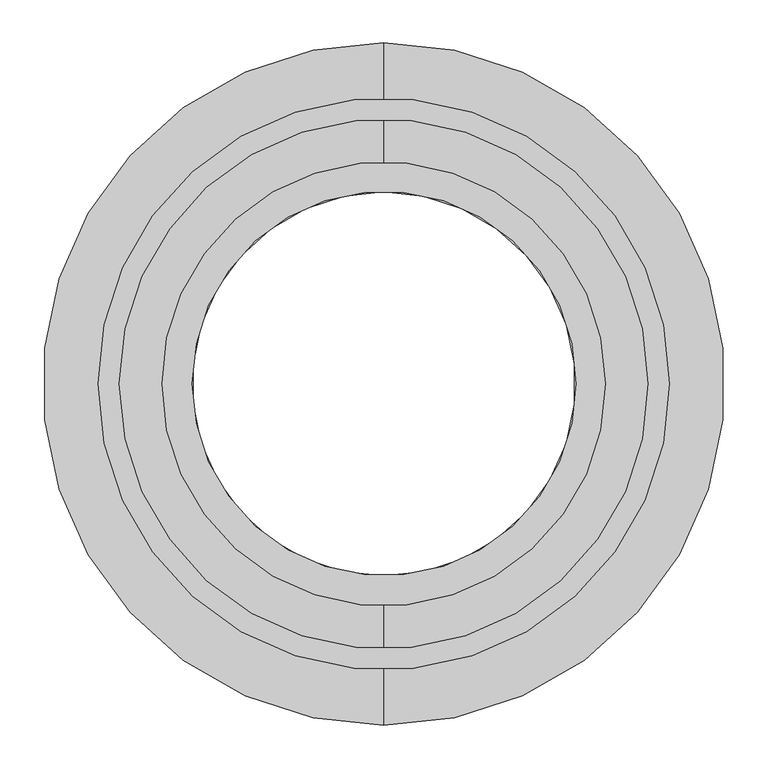
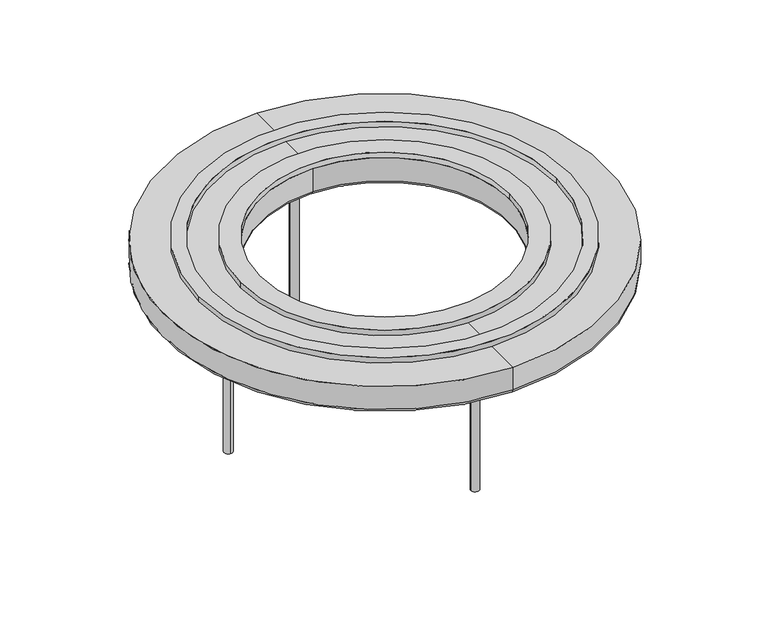
"""IFC4 building model written with IfcOpenShell, lengths in millimetres: furniture geometry."""

from ifc_helpers import new_model, si_unit, point, frame, frame_2d, origin, origin_with_axes, origin_2d, place, context, project, spatial, polyline, circle_curve, ellipse_curve, trimmed, segment, composite_curve, outline, extrude, source, transform, mapped, element, save
from ifc_brep_helpers import plane_surface, cylinder_surface, revolved_surface, advanced_brep


def furniture_3c1bb42c(model_context):
    return source(origin(), model_context, "Body", "SolidModel", [
        extrude(outline(composite_curve([segment(trimmed(circle_curve(origin_2d(), 335.0), [point((-335.0, 0.0))], [point((335.0, 0.0))], False, "CARTESIAN"), True, "CONTINUOUS"), segment(trimmed(circle_curve(origin_2d(), 335.0), [point((335.0, 0.0))], [point((-335.0, 0.0))], False, "CARTESIAN"), True, "CONTINUOUS")], self_intersect=False), holes=[composite_curve([segment(trimmed(circle_curve(origin_2d(), 310.0), [point((-310.0, 0.0))], [point((310.0, 0.0))], True, "CARTESIAN"), True, "CONTINUOUS"), segment(trimmed(circle_curve(origin_2d(), 310.0), [point((310.0, 0.0))], [point((-310.0, 0.0))], True, "CARTESIAN"), True, "CONTINUOUS")], self_intersect=False)]), frame((0.0, 0.0, 303.784), z_axis=(0.0, 0.0, 1.0), x_axis=(1.0, 0.0, 0.0)), (0.0, 0.0, 1.0), 10.16),
        extrude(outline(composite_curve([segment(trimmed(circle_curve(origin_2d(), 260.0), [point((-260.0, 0.0))], [point((260.0, 0.0))], False, "CARTESIAN"), True, "CONTINUOUS"), segment(trimmed(circle_curve(origin_2d(), 260.0), [point((260.0, 0.0))], [point((-260.0, 0.0))], False, "CARTESIAN"), True, "CONTINUOUS")], self_intersect=False), holes=[composite_curve([segment(trimmed(circle_curve(frame_2d((0.4545, 0.4818175)), 225.0), [point((-224.5455, 0.4818175))], [point((225.4545, 0.4818175))], True, "CARTESIAN"), True, "CONTINUOUS"), segment(trimmed(circle_curve(frame_2d((0.4545, 0.4818175)), 225.0), [point((225.4545, 0.4818175))], [point((-224.5455, 0.4818175))], True, "CARTESIAN"), True, "CONTINUOUS")], self_intersect=False)]), frame((0.0, 0.0, 303.784), z_axis=(0.0, 0.0, 1.0), x_axis=(1.0, 0.0, 0.0)), (0.0, 0.0, 1.0), 10.16),
        extrude(outline(composite_curve([segment(trimmed(circle_curve(frame_2d((282.194, 0.0)), 7.62), [point((282.194, 7.62))], [point((282.194, -7.62))], False, "CARTESIAN"), True, "CONTINUOUS"), segment(trimmed(circle_curve(frame_2d((282.194, 0.0)), 7.62), [point((282.194, -7.62))], [point((282.194, 7.62))], False, "CARTESIAN"), True, "CONTINUOUS")], self_intersect=False)), origin_with_axes(), (0.0, 0.0, 1.0), 256.54),
        extrude(outline(composite_curve([segment(trimmed(circle_curve(frame_2d((0.0, -282.194)), 7.62), [point((7.62, -282.194))], [point((-7.62, -282.194))], False, "CARTESIAN"), True, "CONTINUOUS"), segment(trimmed(circle_curve(frame_2d((0.0, -282.194)), 7.62), [point((-7.62, -282.194))], [point((7.62, -282.194))], False, "CARTESIAN"), True, "CONTINUOUS")], self_intersect=False)), origin_with_axes(), (0.0, 0.0, 1.0), 256.54),
        extrude(outline(composite_curve([segment(trimmed(circle_curve(frame_2d((-282.194, 0.0)), 7.62), [point((-282.194, -7.62))], [point((-282.194, 7.62))], False, "CARTESIAN"), True, "CONTINUOUS"), segment(trimmed(circle_curve(frame_2d((-282.194, 0.0)), 7.62), [point((-282.194, 7.62))], [point((-282.194, -7.62))], False, "CARTESIAN"), True, "CONTINUOUS")], self_intersect=False)), origin_with_axes(), (0.0, 0.0, 1.0), 256.54),
        advanced_brep(
        [(0.0, -225.044, 260.35), (0.0, 225.044, 260.35), (0.0, 225.044, 303.784), (0.0, -225.044, 303.784), (0.0, -231.394, 254.0), (0.0, 231.394, 254.0), (0.0, -393.7, 254.0), (0.0, 393.7, 254.0), (0.0, -400.05, 260.35), (0.0, 400.05, 260.35), (0.0, -400.05, 303.784), (0.0, 400.05, 303.784)],
        [
            (0, 1, circle_curve(frame((0.0, 0.0, 260.35), z_axis=(0.0, 0.0, -1.0), x_axis=(0.0, 1.0, 0.0)), 225.044)),
            (1, 2),
            (2, 3, circle_curve(frame((0.0, 0.0, 303.784), z_axis=(0.0, 0.0, 1.0), x_axis=(0.0, 1.0, 0.0)), 225.044)),
            (3, 0),
            (1, 0, circle_curve(frame((0.0, 0.0, 260.35), z_axis=(0.0, 0.0, -1.0), x_axis=(0.0, 1.0, 0.0)), 225.044)),
            (3, 2, circle_curve(frame((0.0, 0.0, 303.784), z_axis=(0.0, 0.0, 1.0), x_axis=(0.0, 1.0, 0.0)), 225.044)),
            (4, 5, circle_curve(frame((0.0, 0.0, 254.0), z_axis=(0.0, 0.0, -1.0), x_axis=(0.0, 1.0, 0.0)), 231.394)),
            (5, 1, circle_curve(frame((0.0, 231.394, 260.35), z_axis=(-1.0, 0.0, 0.0), x_axis=(0.0, 1.0, 0.0)), 6.35)),
            (0, 4, circle_curve(frame((0.0, -231.394, 260.35), z_axis=(-1.0, 0.0, 0.0), x_axis=(0.0, -1.0, 0.0)), 6.35)),
            (5, 4, circle_curve(frame((0.0, 0.0, 254.0), z_axis=(0.0, 0.0, -1.0), x_axis=(0.0, 1.0, 0.0)), 231.394)),
            (6, 7, circle_curve(frame((0.0, 0.0, 254.0), z_axis=(0.0, 0.0, -1.0), x_axis=(0.0, 1.0, 0.0)), 393.7)),
            (7, 5),
            (4, 6),
            (7, 6, circle_curve(frame((0.0, 0.0, 254.0), z_axis=(0.0, 0.0, -1.0), x_axis=(0.0, 1.0, 0.0)), 393.7)),
            (8, 9, circle_curve(frame((0.0, 0.0, 260.35), z_axis=(0.0, 0.0, -1.0), x_axis=(0.0, 1.0, 0.0)), 400.05)),
            (9, 7, circle_curve(frame((0.0, 393.7, 260.35), z_axis=(-1.0, 0.0, 0.0), x_axis=(0.0, 1.0, 0.0)), 6.35)),
            (6, 8, circle_curve(frame((0.0, -393.7, 260.35), z_axis=(-1.0, 0.0, 0.0), x_axis=(0.0, -1.0, 0.0)), 6.35)),
            (9, 8, circle_curve(frame((0.0, 0.0, 260.35), z_axis=(0.0, 0.0, -1.0), x_axis=(0.0, 1.0, 0.0)), 400.05)),
            (10, 11, circle_curve(frame((0.0, 0.0, 303.784), z_axis=(0.0, 0.0, -1.0), x_axis=(0.0, 1.0, 0.0)), 400.05)),
            (11, 9),
            (8, 10),
            (11, 10, circle_curve(frame((0.0, 0.0, 303.784), z_axis=(0.0, 0.0, -1.0), x_axis=(0.0, 1.0, 0.0)), 400.05)),
            (2, 11),
            (10, 3),
        ],
        [
            revolved_surface(polyline([(0.0, 225.044, 303.784), (0.0, 225.044, 260.35)]), (0.0, 0.0, 633.984), (0.0, 0.0, 1.0)),
            revolved_surface(trimmed(ellipse_curve(frame((0.0, 231.394, 260.35), z_axis=(1.0, 0.0, 0.0), x_axis=(0.0, 1.0, 0.0)), 6.35, 6.35), [point((0.0, 225.044, 260.35))], [point((0.0, 231.394, 254.0))], True, "CARTESIAN"), (0.0, 0.0, 633.984), (0.0, 0.0, 1.0)),
            plane_surface(frame((0.0, 0.0, 254.0), z_axis=(0.0, 0.0, -1.0), x_axis=(0.0, 1.0, 0.0))),
            revolved_surface(trimmed(ellipse_curve(frame((0.0, 393.7, 260.35), z_axis=(1.0, 0.0, 0.0), x_axis=(0.0, 1.0, 0.0)), 6.35, 6.35), [point((0.0, 393.7, 254.0))], [point((0.0, 400.05, 260.35))], True, "CARTESIAN"), (0.0, 0.0, 633.984), (0.0, 0.0, 1.0)),
            cylinder_surface(frame((0.0, 0.0, 633.984), z_axis=(0.0, 0.0, 1.0), x_axis=(0.0, 1.0, 0.0)), 400.05),
            plane_surface(frame((0.0, 0.0, 303.784), z_axis=(0.0, 0.0, 1.0), x_axis=(0.0, 1.0, 0.0))),
        ],
        [
            (0, [[1, 2, 3, 4]]),
            (0, [[5, -4, 6, -2]]),
            (1, [[7, 8, -1, 9]]),
            (1, [[10, -9, -5, -8]]),
            (2, [[11, 12, -7, 13]]),
            (2, [[14, -13, -10, -12]]),
            (3, [[15, 16, -11, 17]]),
            (3, [[18, -17, -14, -16]]),
            (4, [[19, 20, -15, 21]]),
            (4, [[22, -21, -18, -20]]),
            (5, [[-3, 23, -19, 24]]),
            (5, [[-6, -24, -22, -23]]),
        ],
    ),
        extrude(outline(composite_curve([segment(trimmed(circle_curve(frame_2d((0.0, 282.194)), 7.62), [point((-7.62, 282.194))], [point((7.62, 282.194))], False, "CARTESIAN"), True, "CONTINUOUS"), segment(trimmed(circle_curve(frame_2d((0.0, 282.194)), 7.62), [point((7.62, 282.194))], [point((-7.62, 282.194))], False, "CARTESIAN"), True, "CONTINUOUS")], self_intersect=False)), origin_with_axes(), (0.0, 0.0, 1.0), 256.54),
    ])


if __name__ == "__main__":
    model = new_model("IFC4")
    model_context = context("Model", 3, world=origin())
    ifc_project = project(units=[si_unit("LENGTHUNIT", "METRE", prefix="MILLI")], contexts=[model_context])
    site = spatial("IfcSite", under=ifc_project)
    building = spatial("IfcBuilding", under=site)
    placement = place(None, origin())
    furniture_shape = furniture_3c1bb42c(model_context)
    element("IfcFurniture", 1, at=placement, inside=building, context=model_context, shape_type="MappedRepresentation", body=[
        mapped(furniture_shape, transform((0.0, 0.0, 0.0), x_axis=(1.0, 0.0, 0.0), y_axis=(0.0, 1.0, 0.0), z_axis=(0.0, 0.0, 1.0))),
    ])
    save(model, "model.ifc")
